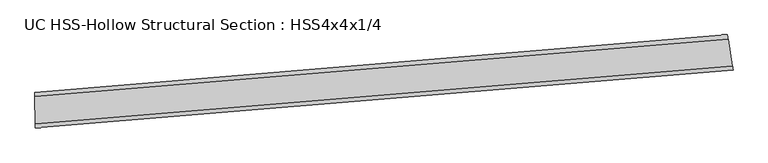
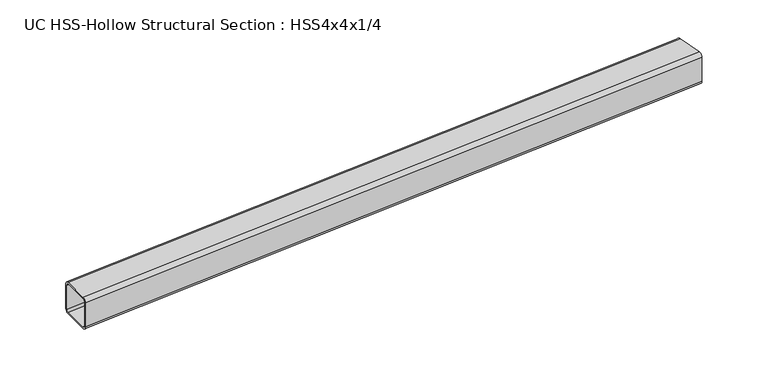
"""IFC4 building model written with IfcOpenShell, lengths in millimetres: beam geometry, UC HSS-Hollow Structural Section : HSS4x4x1/4."""

import ifcopenshell
import ifcopenshell.guid

model = None  # the IFC model being written
_history = None  # IfcOwnerHistory: only IFC2X3 demands one
_inside = {}  # id of a spatial element -> (the spatial element, [elements in it])
_under = {}  # id of a project, library or spatial element -> (it, [spatial elements below it])
_declared = {}  # id of a project -> (the project, [libraries it declares])
_typed = {}  # id of a type object -> (the type object, [elements of that type])
_made_of = {}  # id of a material, layer set ... -> (it, [elements and type objects made of it])


def new_model(schema):
    """Start an empty IFC model of exactly this schema.

    Asked for "IFC4X3", IfcOpenShell would pick the latest addendum, in which some entities
    have other attributes; the version numbers below select the first issue.
    IFC2X3 requires an IfcOwnerHistory on every rooted entity: one is made here for all.
    """
    global model, _history
    if schema == "IFC4X3":
        model = ifcopenshell.file(schema_version=(4, 3, 0, 0))
    else:
        model = ifcopenshell.file(schema=schema)
    _inside.clear()
    _under.clear()
    _declared.clear()
    _typed.clear()
    _made_of.clear()
    _history = None
    if model.schema == "IFC2X3":
        org = make("IfcOrganization", Name="unknown")
        user = make(
            "IfcPersonAndOrganization",
            ThePerson=make("IfcPerson", FamilyName="unknown"),
            TheOrganization=org,
        )
        app = make(
            "IfcApplication",
            ApplicationDeveloper=org,
            Version="unknown",
            ApplicationFullName="unknown",
            ApplicationIdentifier="unknown",
        )
        _history = make(
            "IfcOwnerHistory",
            OwningUser=user,
            OwningApplication=app,
            ChangeAction="ADDED",
            CreationDate=0,
        )
    return model


def make(cls, **values):
    """One entity of the class cls with the attributes given. An attribute that is None is left unset."""
    return model.create_entity(
        cls, **{name: value for name, value in values.items() if value is not None}
    )


def rooted(cls, **values):
    """An entity with a GlobalId (a new one), such as an element, a storey or a relation."""
    return make(cls, GlobalId=ifcopenshell.guid.new(), OwnerHistory=_history, **values)


def si_unit(unit_type, name, prefix=None):
    """IfcSIUnit, for example si_unit("LENGTHUNIT", "METRE", prefix="MILLI")."""
    return make("IfcSIUnit", UnitType=unit_type, Prefix=prefix, Name=name)


def assignment(units):
    """IfcUnitAssignment: the units of a project."""
    return None if units is None else make("IfcUnitAssignment", Units=units)


def point(xyz):
    """IfcCartesianPoint."""
    return None if xyz is None else make("IfcCartesianPoint", Coordinates=xyz)


def direction(xyz):
    """IfcDirection."""
    return None if xyz is None else make("IfcDirection", DirectionRatios=xyz)


def frame(location, z_axis=None, x_axis=None):
    """IfcAxis2Placement3D, a coordinate frame: its origin and axes. An axis left out is left unset."""
    return make(
        "IfcAxis2Placement3D",
        Location=point(location),
        Axis=direction(z_axis),
        RefDirection=direction(x_axis),
    )


def origin():
    """The frame at (0, 0, 0) with its axes left unset."""
    return frame((0.0, 0.0, 0.0))


def place(relative_to, where):
    """IfcLocalPlacement: puts the frame where relative to a parent placement (None: the world)."""
    return make(
        "IfcLocalPlacement", PlacementRelTo=relative_to, RelativePlacement=where
    )


def context(
    kind, dimensions, precision=None, world=None, true_north=None, identifier=None
):
    """IfcGeometricRepresentationContext, for example the 3D "Model" context."""
    return make(
        "IfcGeometricRepresentationContext",
        ContextIdentifier=identifier,
        ContextType=kind,
        CoordinateSpaceDimension=dimensions,
        Precision=precision,
        WorldCoordinateSystem=world,
        TrueNorth=true_north,
    )


def project(units=None, contexts=None):
    """IfcProject with its units and contexts."""
    return rooted(
        "IfcProject",
        Name="project",
        RepresentationContexts=contexts,
        UnitsInContext=assignment(units),
    )


def spatial(cls, under=None, at=None, **own):
    """A site, building, storey or space (cls), placed at a placement, below another one or the project."""
    s = rooted(cls, ObjectPlacement=at, **own)
    if under is not None:
        _under.setdefault(under.id(), (under, []))[1].append(s)
    return s


def polyline(points):
    """IfcPolyline through the points."""
    return make("IfcPolyline", Points=[point(p) for p in points])


def circle_curve(where, radius):
    """IfcCircle in the frame where."""
    return make("IfcCircle", Position=where, Radius=radius)


def ellipse_curve(where, semi_axis1, semi_axis2):
    """IfcEllipse in the frame where."""
    return make(
        "IfcEllipse", Position=where, SemiAxis1=semi_axis1, SemiAxis2=semi_axis2
    )


def trimmed(basis, trim1, trim2, sense, master):
    """IfcTrimmedCurve: the piece of a basis curve between two trims."""
    return make(
        "IfcTrimmedCurve",
        BasisCurve=basis,
        Trim1=trim1,
        Trim2=trim2,
        SenseAgreement=sense,
        MasterRepresentation=master,
    )


def shape(context_of_items, identifier, shape_type, items):
    """IfcShapeRepresentation: the items that make up one representation, for example the "Body"."""
    return make(
        "IfcShapeRepresentation",
        ContextOfItems=context_of_items,
        RepresentationIdentifier=identifier,
        RepresentationType=shape_type,
        Items=items,
    )


def source(mapping_origin, context_of_items, identifier, shape_type, items):
    """IfcRepresentationMap: a shape defined once, which mapped items show again and again."""
    return make(
        "IfcRepresentationMap",
        MappingOrigin=mapping_origin,
        MappedRepresentation=shape(context_of_items, identifier, shape_type, items),
    )


def transform(
    local_origin,
    x_axis=None,
    y_axis=None,
    z_axis=None,
    scale=None,
    scale2=None,
    scale3=None,
    uniform=True,
):
    """IfcCartesianTransformationOperator3D, or its non-uniform kind. x_axis, y_axis, z_axis: its Axis1, 2, 3."""
    if uniform:
        return make(
            "IfcCartesianTransformationOperator3D",
            Axis1=direction(x_axis),
            Axis2=direction(y_axis),
            LocalOrigin=point(local_origin),
            Scale=scale,
            Axis3=direction(z_axis),
        )
    return make(
        "IfcCartesianTransformationOperator3DnonUniform",
        Axis1=direction(x_axis),
        Axis2=direction(y_axis),
        LocalOrigin=point(local_origin),
        Scale=scale,
        Axis3=direction(z_axis),
        Scale2=scale2,
        Scale3=scale3,
    )


def mapped(mapping_source, mapping_target):
    """IfcMappedItem: shows the shape of a source again, moved by a transform."""
    return make(
        "IfcMappedItem", MappingSource=mapping_source, MappingTarget=mapping_target
    )


def made_of(thing, what):
    """Note that an element or type object is made of a material, layer set ...; save() writes the relation."""
    if what is not None:
        _made_of.setdefault(what.id(), (what, []))[1].append(thing)
    return thing


def element(
    cls,
    number,
    at=None,
    inside=None,
    cuts=None,
    type_object=None,
    material=None,
    context=None,
    identifier="Body",
    shape_type=None,
    held_by="IfcProductDefinitionShape",
    body=None,
    shapes=None,
    **own,
):
    """One element of the class cls, such as IfcWall. Its Tag is "e" and its number.

    at: its placement. inside: the storey or other place that contains it. cuts: it is an
    opening in that element (IfcRelVoidsElement). A single representation is given by context,
    identifier, shape_type and body (its items); several are given by shapes. held_by: the class
    of the entity that holds the representations. save() writes the other relations.
    """
    e = rooted(cls, Tag="e%d" % number, ObjectPlacement=at, **own)
    if body is not None:
        shapes = [shape(context, identifier, shape_type, body)]
    if shapes is not None:
        e.Representation = make(held_by, Representations=shapes)
    if inside is not None:
        _inside.setdefault(inside.id(), (inside, []))[1].append(e)
    if cuts is not None:
        rooted(
            "IfcRelVoidsElement", RelatingBuildingElement=cuts, RelatedOpeningElement=e
        )
    if type_object is not None:
        _typed.setdefault(type_object.id(), (type_object, []))[1].append(e)
    return made_of(e, material)


def aggregate(whole, parts):
    """IfcRelAggregates: a whole, such as a stair, and the parts it consists of."""
    return rooted("IfcRelAggregates", RelatingObject=whole, RelatedObjects=parts)


def save(model, path):
    """Write the relations noted so far, then the file.

    IfcRelAggregates (storeys below a building ...), IfcRelContainedInSpatialStructure (elements
    in a storey), IfcRelDefinesByType, IfcRelAssociatesMaterial and IfcRelDeclares: one each for
    every whole, place, type object, material and project.
    """
    for whole, parts in _under.values():
        aggregate(whole, parts)
    for where, things in _inside.values():
        rooted(
            "IfcRelContainedInSpatialStructure",
            RelatedElements=things,
            RelatingStructure=where,
        )
    for kind, things in _typed.values():
        rooted("IfcRelDefinesByType", RelatedObjects=things, RelatingType=kind)
    for what, things in _made_of.values():
        rooted("IfcRelAssociatesMaterial", RelatedObjects=things, RelatingMaterial=what)
    for by, libraries in _declared.values():
        rooted("IfcRelDeclares", RelatingContext=by, RelatedDefinitions=libraries)
    model.write(path)


def plane_surface(at):
    """IfcPlane: the flat surface through the origin of the frame at, square to its z axis."""
    return make("IfcPlane", Position=at)


def cylinder_surface(at, radius):
    """IfcCylindricalSurface: all points at the distance radius from the z axis of the frame at."""
    return make("IfcCylindricalSurface", Position=at, Radius=radius)


def revolved_surface(curve, axis_point, axis_direction):
    """IfcSurfaceOfRevolution: the curve turned about the line through axis_point along axis_direction."""
    return make(
        "IfcSurfaceOfRevolution",
        SweptCurve=make("IfcArbitraryOpenProfileDef", ProfileType="CURVE", Curve=curve),
        AxisPosition=make("IfcAxis1Placement", Location=point(axis_point), Axis=direction(axis_direction)),
    )


def advanced_brep(points, edges, surfaces, faces):
    """IfcAdvancedBrep: a solid bounded by faces that lie on surfaces and meet in shared edges.

    An edge is (start, end): straight between two places in points (the first is 0);
    or (start, end, curve); or (start, end, curve, False) where it runs against its curve.
    A face is (place in surfaces, loops), or (place, loops, False) where it looks against
    its surface's normal. A loop lists edges by number (the first is 1), with a minus sign
    where the edge is run from its end to its start. The first loop is the outer one.
    """
    corners = [point(p) for p in points]
    vertices = [make("IfcVertexPoint", VertexGeometry=c) for c in corners]
    made = []
    for start, end, *more in edges:
        made.append(
            make(
                "IfcEdgeCurve",
                EdgeStart=vertices[start],
                EdgeEnd=vertices[end],
                EdgeGeometry=more[0] if more else make("IfcPolyline", Points=[corners[start], corners[end]]),
                SameSense=more[1] if len(more) > 1 else True,
            )
        )
    hull = []
    for where, loops, *sense in faces:
        bounds = []
        for j, loop in enumerate(loops):
            ring = [make("IfcOrientedEdge", EdgeElement=made[abs(k) - 1], Orientation=k > 0) for k in loop]
            bounds.append(
                make(
                    "IfcFaceOuterBound" if j == 0 else "IfcFaceBound",
                    Bound=make("IfcEdgeLoop", EdgeList=ring),
                    Orientation=True,
                )
            )
        hull.append(make("IfcAdvancedFace", Bounds=bounds, FaceSurface=surfaces[where], SameSense=sense[0] if sense else True))
    return make("IfcAdvancedBrep", Outer=make("IfcClosedShell", CfsFaces=hull))


def uc_hss_hollow_structural_section_hss4x4x1_4_89728686(model_context):
    return source(origin(), model_context, "Body", "AdvancedBrep", [
        advanced_brep(
        [(68.8624422, 50.9864919, 38.9636), (68.8624422, 50.9864919, -38.9636), (68.926552, 39.1502655, -50.8), (69.3486307, -38.7757914, -50.8), (69.4127404, -50.6120178, -38.9636), (69.4127404, -50.6120178, 38.9636), (69.3486307, -38.7757914, 50.8), (68.926552, 39.1502655, 50.8), (69.3486307, -38.7757914, 44.8818), (69.3806855, -44.6939046, 38.9636), (69.3806855, -44.6939046, -38.9636), (69.3486307, -38.7757914, -44.8818), (68.926552, 39.1502655, -44.8818), (68.8944971, 45.0683787, -38.9636), (68.8944971, 45.0683787, 38.9636), (68.926552, 39.1502655, 44.8818), (2038.0554329, 215.2148984, 38.9636), (2039.952827, 203.5315659, 50.8), (2052.4446837, 126.6121144, 50.8), (2054.3420779, 114.9287818, 38.9636), (2054.3420779, 114.9287818, -38.9636), (2052.4446837, 126.6121144, -50.8), (2039.952827, 203.5315659, -50.8), (2038.0554329, 215.2148984, -38.9636), (2052.4446837, 126.6121144, 44.8818), (2039.952827, 203.5315659, 44.8818), (2039.0041299, 209.3732322, 38.9636), (2039.0041299, 209.3732322, -38.9636), (2039.952827, 203.5315659, -44.8818), (2052.4446837, 126.6121144, -44.8818), (2053.3933808, 120.7704481, -38.9636), (2053.3933808, 120.7704481, 38.9636)],
        [
            (0, 1),
            (1, 2, circle_curve(frame((68.926552, 39.1502655, -38.9636), z_axis=(-0.9999853316287575, -0.005416320459855017, 0.0), x_axis=(0.005416320459855017, -0.9999853316287575, 0.0)), 11.8364)),
            (2, 3),
            (3, 4, circle_curve(frame((69.3486307, -38.7757914, -38.9636), z_axis=(-0.9999853316287575, -0.005416320459855017, 0.0), x_axis=(0.005416320459855017, -0.9999853316287575, 0.0)), 11.8364)),
            (4, 5),
            (5, 6, circle_curve(frame((69.3486307, -38.7757914, 38.9636), z_axis=(-0.9999853316287575, -0.005416320459855017, 0.0), x_axis=(0.005416320459855017, -0.9999853316287575, 0.0)), 11.8364)),
            (6, 7),
            (7, 0, circle_curve(frame((68.926552, 39.1502655, 38.9636), z_axis=(-0.9999853316287575, -0.005416320459855017, 0.0), x_axis=(0.005416320459855017, -0.9999853316287575, 0.0)), 11.8364)),
            (8, 9, circle_curve(frame((69.3486307, -38.7757914, 38.9636), z_axis=(0.9999853316287575, 0.005416320459855017, 0.0), x_axis=(0.005416320459855017, -0.9999853316287575, 0.0)), 5.9182)),
            (9, 10),
            (10, 11, circle_curve(frame((69.3486307, -38.7757914, -38.9636), z_axis=(0.9999853316287575, 0.005416320459855017, 0.0), x_axis=(0.005416320459855017, -0.9999853316287575, 0.0)), 5.9182)),
            (11, 12),
            (12, 13, circle_curve(frame((68.926552, 39.1502655, -38.9636), z_axis=(0.9999853316287575, 0.005416320459855017, 0.0), x_axis=(0.005416320459855017, -0.9999853316287575, 0.0)), 5.9182)),
            (13, 14),
            (14, 15, circle_curve(frame((68.926552, 39.1502655, 38.9636), z_axis=(0.9999853316287575, 0.005416320459855017, 0.0), x_axis=(0.005416320459855017, -0.9999853316287575, 0.0)), 5.9182)),
            (15, 8),
            (16, 17, circle_curve(frame((2039.952827, 203.5315659, 38.9636), z_axis=(0.9870680773235662, 0.1603016242237067, 0.0), x_axis=(0.1603016242237067, -0.9870680773235662, 0.0)), 11.8364)),
            (17, 18),
            (18, 19, circle_curve(frame((2052.4446837, 126.6121144, 38.9636), z_axis=(0.9870680773235662, 0.1603016242237067, 0.0), x_axis=(0.1603016242237067, -0.9870680773235662, 0.0)), 11.8364)),
            (19, 20),
            (20, 21, circle_curve(frame((2052.4446837, 126.6121144, -38.9636), z_axis=(0.9870680773235662, 0.1603016242237067, 0.0), x_axis=(0.1603016242237067, -0.9870680773235662, 0.0)), 11.8364)),
            (21, 22),
            (22, 23, circle_curve(frame((2039.952827, 203.5315659, -38.9636), z_axis=(0.9870680773235662, 0.1603016242237067, 0.0), x_axis=(0.1603016242237067, -0.9870680773235662, 0.0)), 11.8364)),
            (23, 16),
            (24, 25),
            (25, 26, circle_curve(frame((2039.952827, 203.5315659, 38.9636), z_axis=(-0.9870680773235662, -0.1603016242237067, 0.0), x_axis=(0.1603016242237067, -0.9870680773235662, 0.0)), 5.9182)),
            (26, 27),
            (27, 28, circle_curve(frame((2039.952827, 203.5315659, -38.9636), z_axis=(-0.9870680773235662, -0.1603016242237067, 0.0), x_axis=(0.1603016242237067, -0.9870680773235662, 0.0)), 5.9182)),
            (28, 29),
            (29, 30, circle_curve(frame((2052.4446837, 126.6121144, -38.9636), z_axis=(-0.9870680773235662, -0.1603016242237067, 0.0), x_axis=(0.1603016242237067, -0.9870680773235662, 0.0)), 5.9182)),
            (30, 31),
            (31, 24, circle_curve(frame((2052.4446837, 126.6121144, 38.9636), z_axis=(-0.9870680773235662, -0.1603016242237067, 0.0), x_axis=(0.1603016242237067, -0.9870680773235662, 0.0)), 5.9182)),
            (7, 17, circle_curve(frame((0.0, 12764.6788689, 50.8), z_axis=(0.0, 0.0, 1.0), x_axis=(-0.5098240984632179, 0.860278669168408, 0.0)), 12725.7152689)),
            (16, 0, circle_curve(frame((0.0, 12764.6788689, 38.9636), z_axis=(0.0, 0.0, -1.0), x_axis=(-0.5098240984632179, 0.860278669168408, 0.0)), 12713.8788689)),
            (6, 18, circle_curve(frame((0.0, 12764.6788689, 50.8), z_axis=(0.0, 0.0, 1.0), x_axis=(-0.5098240984632179, 0.860278669168408, 0.0)), 12803.6424689)),
            (5, 19, circle_curve(frame((0.0, 12764.6788689, 38.9636), z_axis=(0.0, 0.0, 1.0), x_axis=(-0.5098240984632179, 0.860278669168408, 0.0)), 12815.4788689)),
            (4, 20, circle_curve(frame((0.0, 12764.6788689, -38.9636), z_axis=(0.0, 0.0, 1.0), x_axis=(-0.5098240984632179, 0.860278669168408, 0.0)), 12815.4788689)),
            (3, 21, circle_curve(frame((0.0, 12764.6788689, -50.8), z_axis=(0.0, 0.0, 1.0), x_axis=(-0.5098240984632179, 0.860278669168408, 0.0)), 12803.6424689)),
            (2, 22, circle_curve(frame((0.0, 12764.6788689, -50.8), z_axis=(0.0, 0.0, 1.0), x_axis=(-0.5098240984632179, 0.860278669168408, 0.0)), 12725.7152689)),
            (1, 23, circle_curve(frame((0.0, 12764.6788689, -38.9636), z_axis=(0.0, 0.0, 1.0), x_axis=(-0.5098240984632179, 0.860278669168408, 0.0)), 12713.8788689)),
            (15, 25, circle_curve(frame((0.0, 12764.6788689, 44.8818), z_axis=(0.0, 0.0, 1.0), x_axis=(-0.5098240984632179, 0.860278669168408, 0.0)), 12725.7152689)),
            (24, 8, circle_curve(frame((0.0, 12764.6788689, 44.8818), z_axis=(0.0, 0.0, -1.0), x_axis=(-0.5098240984632179, 0.860278669168408, 0.0)), 12803.6424689)),
            (14, 26, circle_curve(frame((0.0, 12764.6788689, 38.9636), z_axis=(0.0, 0.0, 1.0), x_axis=(-0.5098240984632179, 0.860278669168408, 0.0)), 12719.7970689)),
            (13, 27, circle_curve(frame((0.0, 12764.6788689, -38.9636), z_axis=(0.0, 0.0, 1.0), x_axis=(-0.5098240984632179, 0.860278669168408, 0.0)), 12719.7970689)),
            (12, 28, circle_curve(frame((0.0, 12764.6788689, -44.8818), z_axis=(0.0, 0.0, 1.0), x_axis=(-0.5098240984632179, 0.860278669168408, 0.0)), 12725.7152689)),
            (11, 29, circle_curve(frame((0.0, 12764.6788689, -44.8818), z_axis=(0.0, 0.0, 1.0), x_axis=(-0.5098240984632179, 0.860278669168408, 0.0)), 12803.6424689)),
            (10, 30, circle_curve(frame((0.0, 12764.6788689, -38.9636), z_axis=(0.0, 0.0, 1.0), x_axis=(-0.5098240984632179, 0.860278669168408, 0.0)), 12809.5606689)),
            (9, 31, circle_curve(frame((0.0, 12764.6788689, 38.9636), z_axis=(0.0, 0.0, 1.0), x_axis=(-0.5098240984632179, 0.860278669168408, 0.0)), 12809.5606689)),
        ],
        [
            plane_surface(frame((69.1375913, 0.187237, 0.0), z_axis=(-0.9999853316287575, -0.00541632045986129, 0.0), x_axis=(0.0, 0.0, 1.0))),
            plane_surface(frame((2046.1987554, 165.0718401, 0.0), z_axis=(0.9870680773235652, 0.1603016242237129, 0.0), x_axis=(0.0, 0.0, 1.0))),
            revolved_surface(trimmed(ellipse_curve(frame((-6487.8763143, 23712.3402646, 38.9636), z_axis=(-0.8602786691684117, -0.5098240984632116, 0.0), x_axis=(-0.5098240984632116, 0.8602786691684117, 0.0)), 11.8364, 11.8364), [point((-6481.8418323, 23702.1576621, 38.9636))], [point((-6487.8763143, 23712.3402646, 50.8))], True, "CARTESIAN"), (0.0, 12764.6788689, 0.0), (0.0, 0.0, -1.0)),
            plane_surface(frame((0.0, 12764.6788689, 50.8), z_axis=(0.0, 0.0, 1.0), x_axis=(-0.5098240984632179, 0.860278669168408, 0.0))),
            revolved_surface(trimmed(ellipse_curve(frame((-6527.6054787, 23779.3793725, 38.9636), z_axis=(-0.8602786691684117, -0.5098240984632116, 0.0), x_axis=(-0.5098240984632116, 0.8602786691684117, 0.0)), 11.8364, 11.8364), [point((-6527.6054787, 23779.3793725, 50.8))], [point((-6533.6399607, 23789.5619749, 38.9636))], True, "CARTESIAN"), (0.0, 12764.6788689, 0.0), (0.0, 0.0, -1.0)),
            cylinder_surface(frame((0.0, 12764.6788689, 0.0), z_axis=(0.0, 0.0, -1.0), x_axis=(-0.5098240984632179, 0.860278669168408, 0.0)), 12815.4788689),
            revolved_surface(trimmed(ellipse_curve(frame((-6527.6054787, 23779.3793725, -38.9636), z_axis=(-0.8602786691684117, -0.5098240984632116, 0.0), x_axis=(-0.5098240984632116, 0.8602786691684117, 0.0)), 11.8364, 11.8364), [point((-6533.6399607, 23789.5619749, -38.9636))], [point((-6527.6054787, 23779.3793725, -50.8))], True, "CARTESIAN"), (0.0, 12764.6788689, 0.0), (0.0, 0.0, -1.0)),
            plane_surface(frame((0.0, 12764.6788689, -50.8), z_axis=(0.0, 0.0, -1.0), x_axis=(-0.5098240984632179, 0.860278669168408, 0.0))),
            revolved_surface(trimmed(ellipse_curve(frame((-6487.8763143, 23712.3402646, -38.9636), z_axis=(-0.8602786691684117, -0.5098240984632116, 0.0), x_axis=(-0.5098240984632116, 0.8602786691684117, 0.0)), 11.8364, 11.8364), [point((-6487.8763143, 23712.3402646, -50.8))], [point((-6481.8418323, 23702.1576621, -38.9636))], True, "CARTESIAN"), (0.0, 12764.6788689, 0.0), (0.0, 0.0, -1.0)),
            revolved_surface(polyline([(-6481.841832307498, 23702.15766220564, -38.9636), (-6481.841832307498, 23702.15766220564, 38.9636)]), (0.0, 12764.6788689, 0.0), (0.0, 0.0, -1.0)),
            plane_surface(frame((0.0, 12764.6788689, 44.8818), z_axis=(0.0, 0.0, -1.0), x_axis=(-0.5098240984632179, 0.860278669168408, 0.0))),
            revolved_surface(trimmed(ellipse_curve(frame((-6487.8763143, 23712.3402646, 38.9636), z_axis=(0.8602786691684117, 0.5098240984632116, 0.0), x_axis=(-0.5098240984632116, 0.8602786691684117, 0.0)), 5.9182, 5.9182), [point((-6487.8763143, 23712.3402646, 44.8818))], [point((-6484.8590733, 23707.2489634, 38.9636))], True, "CARTESIAN"), (0.0, 12764.6788689, 0.0), (0.0, 0.0, -1.0)),
            cylinder_surface(frame((0.0, 12764.6788689, 0.0), z_axis=(0.0, 0.0, -1.0), x_axis=(-0.5098240984632179, 0.860278669168408, 0.0)), 12719.7970689),
            revolved_surface(trimmed(ellipse_curve(frame((-6487.8763143, 23712.3402646, -38.9636), z_axis=(0.8602786691684117, 0.5098240984632116, 0.0), x_axis=(-0.5098240984632116, 0.8602786691684117, 0.0)), 5.9182, 5.9182), [point((-6484.8590733, 23707.2489634, -38.9636))], [point((-6487.8763143, 23712.3402646, -44.8818))], True, "CARTESIAN"), (0.0, 12764.6788689, 0.0), (0.0, 0.0, -1.0)),
            plane_surface(frame((0.0, 12764.6788689, -44.8818), z_axis=(0.0, 0.0, 1.0), x_axis=(-0.5098240984632179, 0.860278669168408, 0.0))),
            revolved_surface(trimmed(ellipse_curve(frame((-6527.6054787, 23779.3793725, -38.9636), z_axis=(0.8602786691684117, 0.5098240984632116, 0.0), x_axis=(-0.5098240984632116, 0.8602786691684117, 0.0)), 5.9182, 5.9182), [point((-6527.6054787, 23779.3793725, -44.8818))], [point((-6530.6227197, 23784.4706737, -38.9636))], True, "CARTESIAN"), (0.0, 12764.6788689, 0.0), (0.0, 0.0, -1.0)),
            revolved_surface(polyline([(-6530.622719731836, 23784.470673773274, -38.9636), (-6530.622719731836, 23784.470673773274, 38.9636)]), (0.0, 12764.6788689, 0.0), (0.0, 0.0, -1.0)),
            revolved_surface(trimmed(ellipse_curve(frame((-6527.6054787, 23779.3793725, 38.9636), z_axis=(0.8602786691684117, 0.5098240984632116, 0.0), x_axis=(-0.5098240984632116, 0.8602786691684117, 0.0)), 5.9182, 5.9182), [point((-6530.6227197, 23784.4706737, 38.9636))], [point((-6527.6054787, 23779.3793725, 44.8818))], True, "CARTESIAN"), (0.0, 12764.6788689, 0.0), (0.0, 0.0, -1.0)),
        ],
        [
            (0, [[1, 2, 3, 4, 5, 6, 7, 8], [9, 10, 11, 12, 13, 14, 15, 16]]),
            (1, [[17, 18, 19, 20, 21, 22, 23, 24], [25, 26, 27, 28, 29, 30, 31, 32]]),
            (2, [[33, -17, 34, -8]]),
            (3, [[35, -18, -33, -7]]),
            (4, [[36, -19, -35, -6]]),
            (5, [[37, -20, -36, -5]]),
            (6, [[38, -21, -37, -4]]),
            (7, [[39, -22, -38, -3]]),
            (8, [[40, -23, -39, -2]]),
            (9, [[-34, -24, -40, -1]]),
            (10, [[41, -25, 42, -16]]),
            (11, [[43, -26, -41, -15]]),
            (12, [[44, -27, -43, -14]]),
            (13, [[45, -28, -44, -13]]),
            (14, [[46, -29, -45, -12]]),
            (15, [[47, -30, -46, -11]]),
            (16, [[48, -31, -47, -10]]),
            (17, [[-42, -32, -48, -9]]),
        ],
    ),
    ])


if __name__ == "__main__":
    model = new_model("IFC4")
    model_context = context("Model", 3, world=origin())
    ifc_project = project(units=[si_unit("LENGTHUNIT", "METRE", prefix="MILLI")], contexts=[model_context])
    site = spatial("IfcSite", under=ifc_project)
    building = spatial("IfcBuilding", under=site)
    placement = place(None, origin())
    uc_hss_hollow_structural_section_hss4x4x1_4_shape = uc_hss_hollow_structural_section_hss4x4x1_4_89728686(model_context)
    element("IfcBeam", 1, ObjectType="UC HSS-Hollow Structural Section : HSS4x4x1/4", at=placement, inside=building, context=model_context, shape_type="MappedRepresentation", body=[
        mapped(uc_hss_hollow_structural_section_hss4x4x1_4_shape, transform((0.0, 0.0, 0.0), x_axis=(1.0, 0.0, 0.0), y_axis=(0.0, 1.0, 0.0), z_axis=(0.0, 0.0, 1.0))),
    ])
    save(model, "model.ifc")
